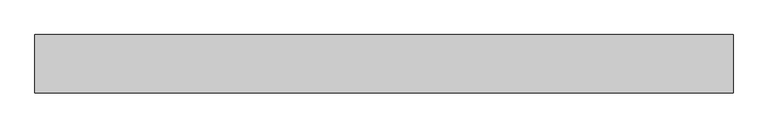
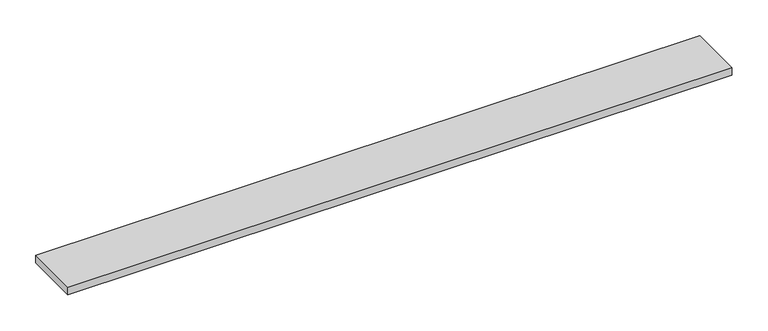
"""IFC4 building model written with IfcOpenShell, lengths in millimetres: furniture geometry."""

from ifc_helpers import new_model, si_unit, frame, origin, place, context, project, spatial, polyline, outline, extrude, source, transform, mapped, element, save


def furniture_472562df(model_context):
    return source(origin(), model_context, "Body", "SweptSolid", [
        extrude(outline(polyline([(706.01205, 38.735), (706.01205, -50.165), (-360.78795, -50.165), (-360.78795, 38.735), (706.01205, 38.735)])), frame((0.0, 0.0, 965.2), z_axis=(0.0, 0.0, 1.0), x_axis=(1.0, 0.0, 0.0)), (0.0, 0.0, 1.0), 12.7),
    ])


if __name__ == "__main__":
    model = new_model("IFC4")
    model_context = context("Model", 3, world=origin())
    ifc_project = project(units=[si_unit("LENGTHUNIT", "METRE", prefix="MILLI")], contexts=[model_context])
    site = spatial("IfcSite", under=ifc_project)
    building = spatial("IfcBuilding", under=site)
    placement = place(None, origin())
    furniture_shape = furniture_472562df(model_context)
    element("IfcFurniture", 1, at=placement, inside=building, context=model_context, shape_type="MappedRepresentation", body=[
        mapped(furniture_shape, transform((0.0, 0.0, 0.0), x_axis=(1.0, 0.0, 0.0), y_axis=(0.0, 1.0, 0.0), z_axis=(0.0, 0.0, 1.0))),
    ])
    save(model, "model.ifc")
